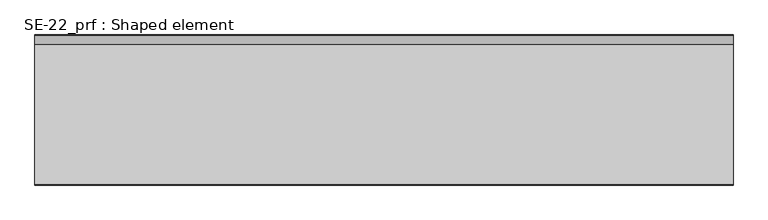
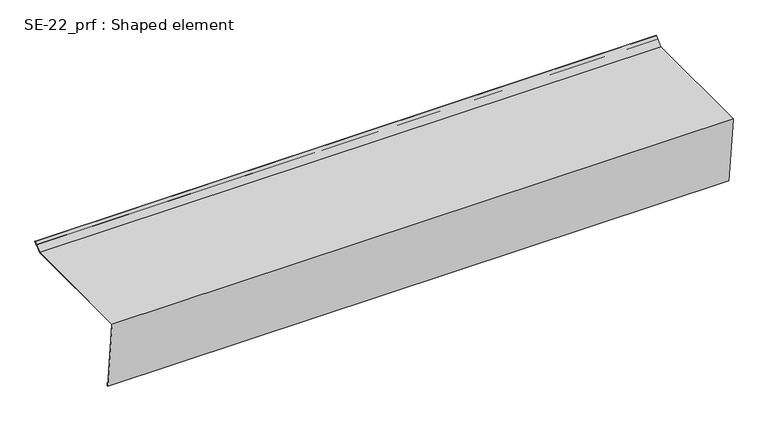
"""IFC4 building model written with IfcOpenShell, lengths in millimetres: proxy geometry, SE-22_prf : Shaped element."""

from ifc_helpers import new_model, si_unit, origin, place, context, project, spatial, faceted_brep, source, transform, mapped, element, save


def se_22_prf_shaped_element_aeb7a8f6(model_context):
    return source(origin(), model_context, "Body", "Brep", [
        faceted_brep([(1760.0, -3.7067204, 0.0), (1760.0, -3.9169289, 2.0), (1760.0, 350.4142136, 2.0), (1760.0, 371.2132034, 22.7989899), (1760.0, 371.9203102, 22.0918831), (1760.0, 365.5563492, 15.7279221), (1760.0, 366.263456, 15.0208153), (1760.0, 373.3345238, 22.0918831), (1760.0, 371.2132034, 24.2132034), (1760.0, 350.0, 3.0), (1760.0, -5.0275414, 3.0), (1760.0, -4.7122287, 0.0), (1760.0, 15.8781513, -195.9043791), (1760.0, 18.8617169, -195.5907937), (1760.0, 17.8164323, -185.6455747), (1760.0, 16.8219104, -185.7501032), (1760.0, 17.7626666, -194.7008003), (1760.0, 16.7681447, -194.8053287), (0.0, -4.7122287, 0.0), (0.0, -5.0275414, 3.0), (0.0, 350.0, 3.0), (0.0, 371.2132034, 24.2132034), (0.0, 373.3345238, 22.0918831), (0.0, 366.263456, 15.0208153), (0.0, 365.5563492, 15.7279221), (0.0, 371.9203102, 22.0918831), (0.0, 371.2132034, 22.7989899), (0.0, 350.4142136, 2.0), (0.0, -3.9169289, 2.0), (0.0, -3.7067204, 0.0), (0.0, 16.7681447, -194.8053287), (0.0, 17.7626666, -194.7008003), (0.0, 16.8219104, -185.7501032), (0.0, 17.8164323, -185.6455747), (0.0, 18.8617169, -195.5907937), (0.0, 15.8781513, -195.9043791)], [[[0, 1, 2, 3, 4, 5, 6, 7, 8, 9, 10, 11]], [[11, 12, 13, 14, 15, 16, 17, 0]], [[18, 19, 20, 21, 22, 23, 24, 25, 26, 27, 28, 29]], [[29, 30, 31, 32, 33, 34, 35, 18]], [[8, 21, 20, 9]], [[9, 20, 19, 10]], [[10, 19, 18, 35, 12, 11]], [[12, 35, 34, 13]], [[13, 34, 33, 14]], [[14, 33, 32, 15]], [[15, 32, 31, 16]], [[16, 31, 30, 17]], [[0, 17, 30, 29, 28, 1]], [[1, 28, 27, 2]], [[2, 27, 26, 3]], [[3, 26, 25, 4]], [[4, 25, 24, 5]], [[5, 24, 23, 6]], [[6, 23, 22, 7]], [[7, 22, 21, 8]]]),
    ])


if __name__ == "__main__":
    model = new_model("IFC4")
    model_context = context("Model", 3, world=origin())
    ifc_project = project(units=[si_unit("LENGTHUNIT", "METRE", prefix="MILLI")], contexts=[model_context])
    site = spatial("IfcSite", under=ifc_project)
    building = spatial("IfcBuilding", under=site)
    placement = place(None, origin())
    se_22_prf_shaped_element_shape = se_22_prf_shaped_element_aeb7a8f6(model_context)
    element("IfcBuildingElementProxy", 1, Name="SE-22_prf : Shaped element", ObjectType="SE-22_prf : Shaped element", at=placement, inside=building, context=model_context, shape_type="MappedRepresentation", body=[
        mapped(se_22_prf_shaped_element_shape, transform((0.0, 0.0, 0.0), x_axis=(1.0, 0.0, 0.0), y_axis=(0.0, 1.0, 0.0), z_axis=(0.0, 0.0, 1.0))),
    ])
    save(model, "model.ifc")
